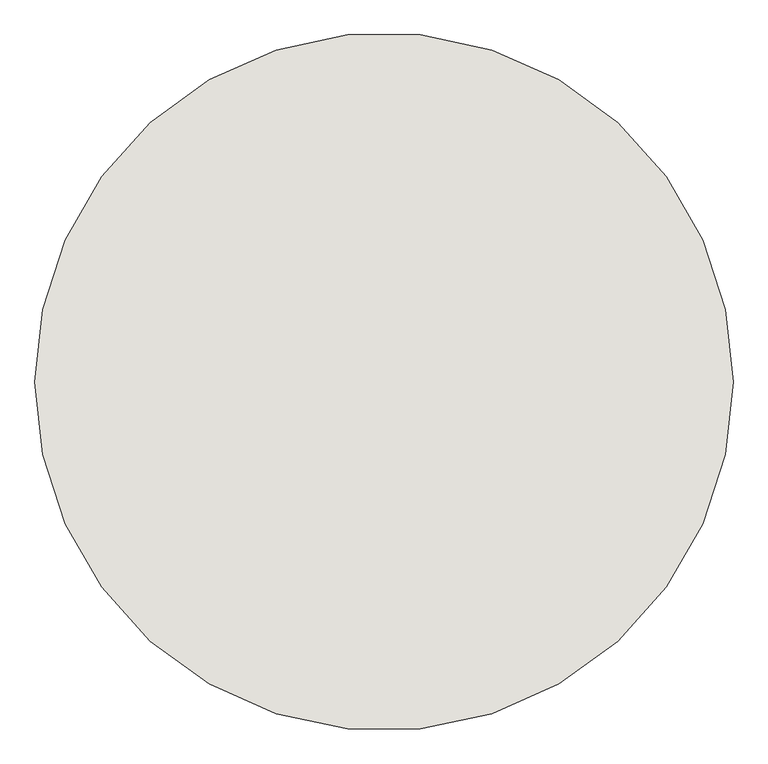
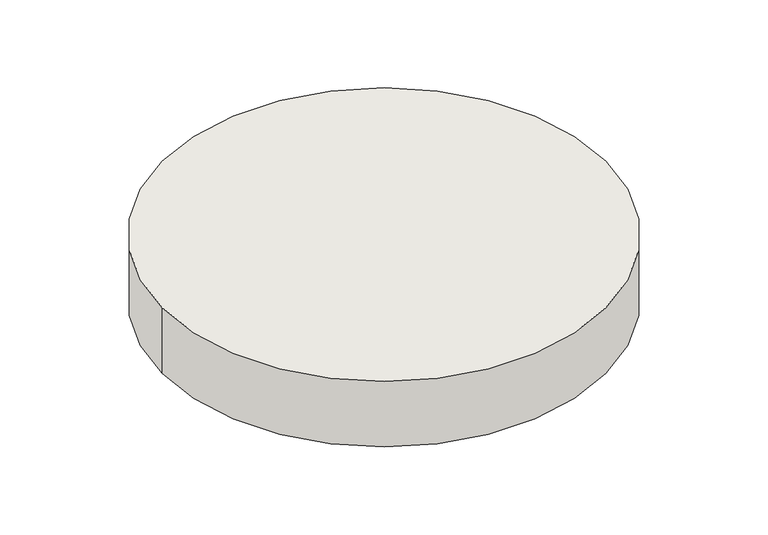
"""IFC4 building model written with IfcOpenShell, lengths in millimetres: wall geometry."""

import ifcopenshell
import ifcopenshell.guid

model = None  # the IFC model being written
_history = None  # IfcOwnerHistory: only IFC2X3 demands one
_inside = {}  # id of a spatial element -> (the spatial element, [elements in it])
_under = {}  # id of a project, library or spatial element -> (it, [spatial elements below it])
_declared = {}  # id of a project -> (the project, [libraries it declares])
_typed = {}  # id of a type object -> (the type object, [elements of that type])
_made_of = {}  # id of a material, layer set ... -> (it, [elements and type objects made of it])


def new_model(schema):
    """Start an empty IFC model of exactly this schema.

    Asked for "IFC4X3", IfcOpenShell would pick the latest addendum, in which some entities
    have other attributes; the version numbers below select the first issue.
    IFC2X3 requires an IfcOwnerHistory on every rooted entity: one is made here for all.
    """
    global model, _history
    if schema == "IFC4X3":
        model = ifcopenshell.file(schema_version=(4, 3, 0, 0))
    else:
        model = ifcopenshell.file(schema=schema)
    _inside.clear()
    _under.clear()
    _declared.clear()
    _typed.clear()
    _made_of.clear()
    _history = None
    if model.schema == "IFC2X3":
        org = make("IfcOrganization", Name="unknown")
        user = make(
            "IfcPersonAndOrganization",
            ThePerson=make("IfcPerson", FamilyName="unknown"),
            TheOrganization=org,
        )
        app = make(
            "IfcApplication",
            ApplicationDeveloper=org,
            Version="unknown",
            ApplicationFullName="unknown",
            ApplicationIdentifier="unknown",
        )
        _history = make(
            "IfcOwnerHistory",
            OwningUser=user,
            OwningApplication=app,
            ChangeAction="ADDED",
            CreationDate=0,
        )
    return model


def make(cls, **values):
    """One entity of the class cls with the attributes given. An attribute that is None is left unset."""
    return model.create_entity(
        cls, **{name: value for name, value in values.items() if value is not None}
    )


def rooted(cls, **values):
    """An entity with a GlobalId (a new one), such as an element, a storey or a relation."""
    return make(cls, GlobalId=ifcopenshell.guid.new(), OwnerHistory=_history, **values)


def si_unit(unit_type, name, prefix=None):
    """IfcSIUnit, for example si_unit("LENGTHUNIT", "METRE", prefix="MILLI")."""
    return make("IfcSIUnit", UnitType=unit_type, Prefix=prefix, Name=name)


def assignment(units):
    """IfcUnitAssignment: the units of a project."""
    return None if units is None else make("IfcUnitAssignment", Units=units)


def point(xyz):
    """IfcCartesianPoint."""
    return None if xyz is None else make("IfcCartesianPoint", Coordinates=xyz)


def direction(xyz):
    """IfcDirection."""
    return None if xyz is None else make("IfcDirection", DirectionRatios=xyz)


def frame(location, z_axis=None, x_axis=None):
    """IfcAxis2Placement3D, a coordinate frame: its origin and axes. An axis left out is left unset."""
    return make(
        "IfcAxis2Placement3D",
        Location=point(location),
        Axis=direction(z_axis),
        RefDirection=direction(x_axis),
    )


def frame_2d(location, x_axis=None):
    """IfcAxis2Placement2D, a coordinate frame in the plane: its origin and x axis."""
    return make(
        "IfcAxis2Placement2D", Location=point(location), RefDirection=direction(x_axis)
    )


def origin():
    """The frame at (0, 0, 0) with its axes left unset."""
    return frame((0.0, 0.0, 0.0))


def place(relative_to, where):
    """IfcLocalPlacement: puts the frame where relative to a parent placement (None: the world)."""
    return make(
        "IfcLocalPlacement", PlacementRelTo=relative_to, RelativePlacement=where
    )


def context(
    kind, dimensions, precision=None, world=None, true_north=None, identifier=None
):
    """IfcGeometricRepresentationContext, for example the 3D "Model" context."""
    return make(
        "IfcGeometricRepresentationContext",
        ContextIdentifier=identifier,
        ContextType=kind,
        CoordinateSpaceDimension=dimensions,
        Precision=precision,
        WorldCoordinateSystem=world,
        TrueNorth=true_north,
    )


def project(units=None, contexts=None):
    """IfcProject with its units and contexts."""
    return rooted(
        "IfcProject",
        Name="project",
        RepresentationContexts=contexts,
        UnitsInContext=assignment(units),
    )


def spatial(cls, under=None, at=None, **own):
    """A site, building, storey or space (cls), placed at a placement, below another one or the project."""
    s = rooted(cls, ObjectPlacement=at, **own)
    if under is not None:
        _under.setdefault(under.id(), (under, []))[1].append(s)
    return s


def circle_curve(where, radius):
    """IfcCircle in the frame where."""
    return make("IfcCircle", Position=where, Radius=radius)


def trimmed(basis, trim1, trim2, sense, master):
    """IfcTrimmedCurve: the piece of a basis curve between two trims."""
    return make(
        "IfcTrimmedCurve",
        BasisCurve=basis,
        Trim1=trim1,
        Trim2=trim2,
        SenseAgreement=sense,
        MasterRepresentation=master,
    )


def segment(curve, same_sense, transition):
    """IfcCompositeCurveSegment."""
    return make(
        "IfcCompositeCurveSegment",
        Transition=transition,
        SameSense=same_sense,
        ParentCurve=curve,
    )


def composite_curve(segments, self_intersect=None):
    """IfcCompositeCurve: segments joined end to end."""
    return make("IfcCompositeCurve", Segments=segments, SelfIntersect=self_intersect)


def outline(outer, holes=None, kind="AREA"):
    """IfcArbitraryClosedProfileDef: a profile drawn as a closed curve; with holes, ...WithVoids."""
    if holes is None:
        return make("IfcArbitraryClosedProfileDef", ProfileType=kind, OuterCurve=outer)
    return make(
        "IfcArbitraryProfileDefWithVoids",
        ProfileType=kind,
        OuterCurve=outer,
        InnerCurves=holes,
    )


def extrude(swept, where, along, depth):
    """IfcExtrudedAreaSolid: the profile swept, set in the frame where, extruded along a direction by depth."""
    return make(
        "IfcExtrudedAreaSolid",
        SweptArea=swept,
        Position=where,
        ExtrudedDirection=direction(along),
        Depth=depth,
    )


def shape(context_of_items, identifier, shape_type, items):
    """IfcShapeRepresentation: the items that make up one representation, for example the "Body"."""
    return make(
        "IfcShapeRepresentation",
        ContextOfItems=context_of_items,
        RepresentationIdentifier=identifier,
        RepresentationType=shape_type,
        Items=items,
    )


def source(mapping_origin, context_of_items, identifier, shape_type, items):
    """IfcRepresentationMap: a shape defined once, which mapped items show again and again."""
    return make(
        "IfcRepresentationMap",
        MappingOrigin=mapping_origin,
        MappedRepresentation=shape(context_of_items, identifier, shape_type, items),
    )


def transform(
    local_origin,
    x_axis=None,
    y_axis=None,
    z_axis=None,
    scale=None,
    scale2=None,
    scale3=None,
    uniform=True,
):
    """IfcCartesianTransformationOperator3D, or its non-uniform kind. x_axis, y_axis, z_axis: its Axis1, 2, 3."""
    if uniform:
        return make(
            "IfcCartesianTransformationOperator3D",
            Axis1=direction(x_axis),
            Axis2=direction(y_axis),
            LocalOrigin=point(local_origin),
            Scale=scale,
            Axis3=direction(z_axis),
        )
    return make(
        "IfcCartesianTransformationOperator3DnonUniform",
        Axis1=direction(x_axis),
        Axis2=direction(y_axis),
        LocalOrigin=point(local_origin),
        Scale=scale,
        Axis3=direction(z_axis),
        Scale2=scale2,
        Scale3=scale3,
    )


def mapped(mapping_source, mapping_target):
    """IfcMappedItem: shows the shape of a source again, moved by a transform."""
    return make(
        "IfcMappedItem", MappingSource=mapping_source, MappingTarget=mapping_target
    )


def made_of(thing, what):
    """Note that an element or type object is made of a material, layer set ...; save() writes the relation."""
    if what is not None:
        _made_of.setdefault(what.id(), (what, []))[1].append(thing)
    return thing


def element(
    cls,
    number,
    at=None,
    inside=None,
    cuts=None,
    type_object=None,
    material=None,
    context=None,
    identifier="Body",
    shape_type=None,
    held_by="IfcProductDefinitionShape",
    body=None,
    shapes=None,
    **own,
):
    """One element of the class cls, such as IfcWall. Its Tag is "e" and its number.

    at: its placement. inside: the storey or other place that contains it. cuts: it is an
    opening in that element (IfcRelVoidsElement). A single representation is given by context,
    identifier, shape_type and body (its items); several are given by shapes. held_by: the class
    of the entity that holds the representations. save() writes the other relations.
    """
    e = rooted(cls, Tag="e%d" % number, ObjectPlacement=at, **own)
    if body is not None:
        shapes = [shape(context, identifier, shape_type, body)]
    if shapes is not None:
        e.Representation = make(held_by, Representations=shapes)
    if inside is not None:
        _inside.setdefault(inside.id(), (inside, []))[1].append(e)
    if cuts is not None:
        rooted(
            "IfcRelVoidsElement", RelatingBuildingElement=cuts, RelatedOpeningElement=e
        )
    if type_object is not None:
        _typed.setdefault(type_object.id(), (type_object, []))[1].append(e)
    return made_of(e, material)


def aggregate(whole, parts):
    """IfcRelAggregates: a whole, such as a stair, and the parts it consists of."""
    return rooted("IfcRelAggregates", RelatingObject=whole, RelatedObjects=parts)


def save(model, path):
    """Write the relations noted so far, then the file.

    IfcRelAggregates (storeys below a building ...), IfcRelContainedInSpatialStructure (elements
    in a storey), IfcRelDefinesByType, IfcRelAssociatesMaterial and IfcRelDeclares: one each for
    every whole, place, type object, material and project.
    """
    for whole, parts in _under.values():
        aggregate(whole, parts)
    for where, things in _inside.values():
        rooted(
            "IfcRelContainedInSpatialStructure",
            RelatedElements=things,
            RelatingStructure=where,
        )
    for kind, things in _typed.values():
        rooted("IfcRelDefinesByType", RelatedObjects=things, RelatingType=kind)
    for what, things in _made_of.values():
        rooted("IfcRelAssociatesMaterial", RelatedObjects=things, RelatingMaterial=what)
    for by, libraries in _declared.values():
        rooted("IfcRelDeclares", RelatingContext=by, RelatedDefinitions=libraries)
    model.write(path)


def wall_79fe53d7(model_context):
    return source(origin(), model_context, "Body", "SweptSolid", [
        extrude(outline(composite_curve([segment(trimmed(circle_curve(frame_2d((-80490.2863009, -21599.0364475)), 820.0), [point((-81310.2863009, -21599.0364475))], [point((-79670.2863009, -21599.0364475))], False, "CARTESIAN"), True, "CONTINUOUS"), segment(trimmed(circle_curve(frame_2d((-80490.2863009, -21599.0364475)), 820.0), [point((-79670.2863009, -21599.0364475))], [point((-81310.2863009, -21599.0364475))], False, "CARTESIAN"), True, "CONTINUOUS")], self_intersect=False)), frame((0.0, 0.0, -2496.2906039), z_axis=(0.0, 0.0, 1.0), x_axis=(1.0, 0.0, 0.0)), (0.0, 0.0, 1.0), 256.4519642),
    ])


if __name__ == "__main__":
    model = new_model("IFC4")
    model_context = context("Model", 3, world=origin())
    ifc_project = project(units=[si_unit("LENGTHUNIT", "METRE", prefix="MILLI")], contexts=[model_context])
    site = spatial("IfcSite", under=ifc_project)
    building = spatial("IfcBuilding", under=site)
    placement = place(None, origin())
    wall_shape = wall_79fe53d7(model_context)
    element("IfcWall", 1, at=placement, inside=building, context=model_context, shape_type="MappedRepresentation", body=[
        mapped(wall_shape, transform((0.0, 0.0, 0.0), x_axis=(1.0, 0.0, 0.0), y_axis=(0.0, 1.0, 0.0), z_axis=(0.0, 0.0, 1.0))),
    ])
    save(model, "model.ifc")
